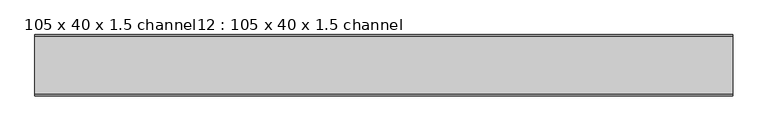
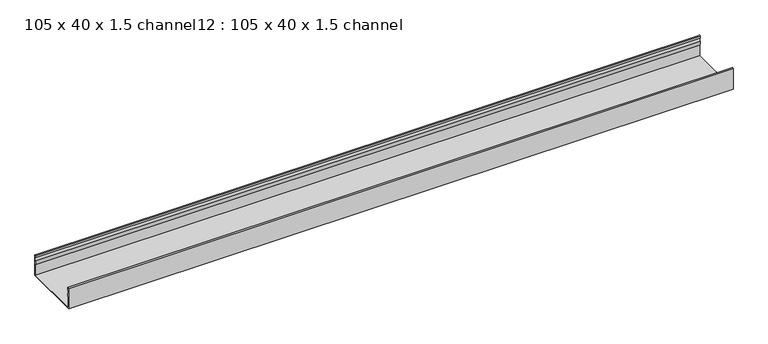
"""IFC4 building model written with IfcOpenShell, lengths in millimetres: proxy geometry, 105 x 40 x 1.5 channel12 : 105 x 40 x 1.5 channel."""

from ifc_helpers import new_model, si_unit, point, frame, frame_2d, origin, place, context, project, spatial, polyline, circle_curve, trimmed, segment, composite_curve, outline, extrude, source, transform, mapped, element, save


def proxy_105_x_40_x_1_5_channel12_105_x_40_x_1_5_channel_c701b59e(model_context):
    return source(origin(), model_context, "Body", "SweptSolid", [
        extrude(outline(composite_curve([segment(trimmed(circle_curve(frame_2d((-28347.5343538, 32.0)), 10.0), [point((-28337.9590458, 29.1166898))], [point((-28337.9590458, 34.8833102))], True, "CARTESIAN"), True, "CONTINUOUS"), segment(polyline([(-28337.9590458, 34.8833102), (-28338.5343538, 38.8)]), True, "CONTINUOUS"), segment(trimmed(circle_curve(frame_2d((-28337.3343538, 38.8)), 1.2), [point((-28338.5343538, 38.8))], [point((-28336.1343538, 38.8))], False, "CARTESIAN"), True, "CONTINUOUS"), segment(polyline([(-28336.1343538, 38.8), (-28336.1343538, 0.0), (-28441.4343538, 0.0), (-28441.4343538, 38.8)]), True, "CONTINUOUS"), segment(trimmed(circle_curve(frame_2d((-28440.2343538, 38.8)), 1.2), [point((-28441.4343538, 38.8))], [point((-28439.0343538, 38.8))], False, "CARTESIAN"), True, "CONTINUOUS"), segment(polyline([(-28439.0343538, 38.8), (-28439.6096617, 34.8833102)]), True, "CONTINUOUS"), segment(trimmed(circle_curve(frame_2d((-28430.0343538, 32.0)), 10.0), [point((-28439.6096617, 34.8833102))], [point((-28439.6096617, 29.1166898))], True, "CARTESIAN"), True, "CONTINUOUS"), segment(trimmed(circle_curve(frame_2d((-28449.0343538, 25.77376)), 10.0), [point((-28439.6096617, 29.1166898))], [point((-28440.0343538, 21.4148611))], False, "CARTESIAN"), True, "CONTINUOUS"), segment(polyline([(-28440.0343538, 21.4148611), (-28440.0343538, 1.4), (-28337.5343538, 1.4), (-28337.5343538, 21.4148611)]), True, "CONTINUOUS"), segment(trimmed(circle_curve(frame_2d((-28328.5343538, 25.77376)), 10.0), [point((-28337.5343538, 21.4148611))], [point((-28337.9590458, 29.1166898))], False, "CARTESIAN"), True, "CONTINUOUS")], self_intersect=False)), frame((6056.2644406, 0.0, 0.0), z_axis=(1.0, 0.0, 0.0), x_axis=(0.0, 1.0, 0.0)), (0.0, 0.0, 1.0), 1200.1845315),
    ])


if __name__ == "__main__":
    model = new_model("IFC4")
    model_context = context("Model", 3, world=origin())
    ifc_project = project(units=[si_unit("LENGTHUNIT", "METRE", prefix="MILLI")], contexts=[model_context])
    site = spatial("IfcSite", under=ifc_project)
    building = spatial("IfcBuilding", under=site)
    placement = place(None, origin())
    proxy_105_x_40_x_1_5_channel12_105_x_40_x_1_5_channel_shape = proxy_105_x_40_x_1_5_channel12_105_x_40_x_1_5_channel_c701b59e(model_context)
    element("IfcBuildingElementProxy", 1, Name="105 x 40 x 1.5 channel12 : 105 x 40 x 1.5 channel", ObjectType="105 x 40 x 1.5 channel12 : 105 x 40 x 1.5 channel", at=placement, inside=building, context=model_context, shape_type="MappedRepresentation", body=[
        mapped(proxy_105_x_40_x_1_5_channel12_105_x_40_x_1_5_channel_shape, transform((0.0, 0.0, 0.0), x_axis=(1.0, 0.0, 0.0), y_axis=(0.0, 1.0, 0.0), z_axis=(0.0, 0.0, 1.0))),
    ])
    save(model, "model.ifc")
